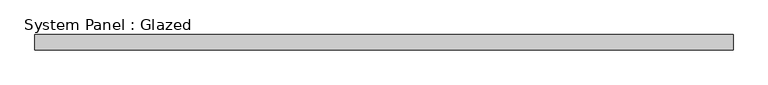
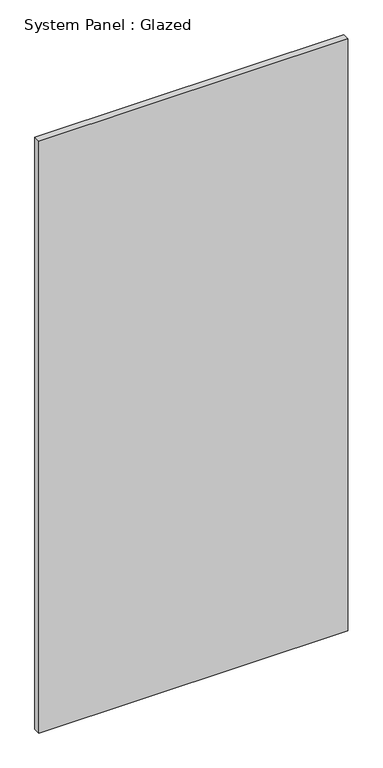
"""IFC4 building model written with IfcOpenShell, lengths in millimetres: plate geometry, System Panel : Glazed."""

from ifc_helpers import new_model, si_unit, origin, origin_with_axes, place, context, project, spatial, polyline, outline, extrude, source, transform, mapped, element, save


def system_panel_glazed_148301a4(model_context):
    return source(origin(), model_context, "Body", "SweptSolid", [
        extrude(outline(polyline([(578.64375, -44.45), (-578.64375, -44.45), (-578.64375, -19.05), (578.64375, -19.05), (578.64375, -44.45)])), origin_with_axes(), (0.0, 0.0, 1.0), 2343.15),
    ])


if __name__ == "__main__":
    model = new_model("IFC4")
    model_context = context("Model", 3, world=origin())
    ifc_project = project(units=[si_unit("LENGTHUNIT", "METRE", prefix="MILLI")], contexts=[model_context])
    site = spatial("IfcSite", under=ifc_project)
    building = spatial("IfcBuilding", under=site)
    placement = place(None, origin())
    system_panel_glazed_shape = system_panel_glazed_148301a4(model_context)
    element("IfcPlate", 1, ObjectType="System Panel : Glazed", at=placement, inside=building, context=model_context, shape_type="MappedRepresentation", body=[
        mapped(system_panel_glazed_shape, transform((0.0, 0.0, 0.0), x_axis=(1.0, 0.0, 0.0), y_axis=(0.0, 1.0, 0.0), z_axis=(0.0, 0.0, 1.0))),
    ])
    save(model, "model.ifc")
